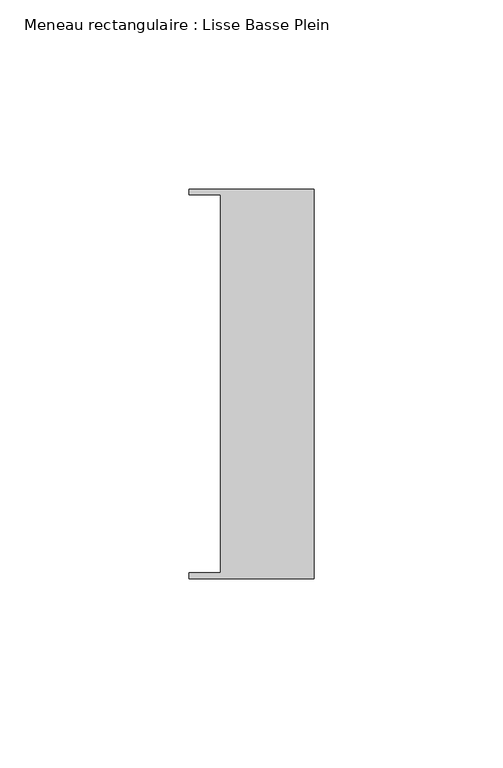
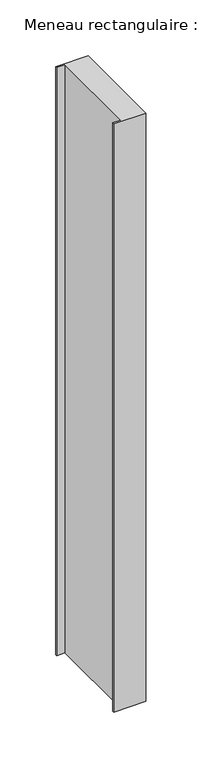
"""IFC4 building model written with IfcOpenShell, lengths in millimetres: member geometry, Meneau rectangulaire : Lisse Basse Plein."""

from ifc_helpers import new_model, si_unit, frame, origin, place, context, project, spatial, polyline, outline, extrude, source, transform, mapped, element, save


def meneau_rectangulaire_lisse_basse_plein_5a617147(model_context):
    return source(origin(), model_context, "Body", "SweptSolid", [
        extrude(outline(polyline([(0.0, -51.5026203), (-33.0710396, -51.5026203), (-33.0710396, -49.9505686), (-24.7130865, -49.9505686), (-24.7130865, 49.9505686), (-33.0710396, 49.9505686), (-33.0710396, 51.5026203), (0.0, 51.5026203), (0.0, -51.5026203)])), frame((0.0, 0.0, -641.5796435), z_axis=(0.0, 0.0, 1.0), x_axis=(1.0, 0.0, 0.0)), (0.0, 0.0, 1.0), 641.5796435),
    ])


if __name__ == "__main__":
    model = new_model("IFC4")
    model_context = context("Model", 3, world=origin())
    ifc_project = project(units=[si_unit("LENGTHUNIT", "METRE", prefix="MILLI")], contexts=[model_context])
    site = spatial("IfcSite", under=ifc_project)
    building = spatial("IfcBuilding", under=site)
    placement = place(None, origin())
    meneau_rectangulaire_lisse_basse_plein_shape = meneau_rectangulaire_lisse_basse_plein_5a617147(model_context)
    element("IfcMember", 1, ObjectType="Meneau rectangulaire : Lisse Basse Plein", at=placement, inside=building, context=model_context, shape_type="MappedRepresentation", body=[
        mapped(meneau_rectangulaire_lisse_basse_plein_shape, transform((0.0, 0.0, 0.0), x_axis=(1.0, 0.0, 0.0), y_axis=(0.0, 1.0, 0.0), z_axis=(0.0, 0.0, 1.0))),
    ])
    save(model, "model.ifc")
